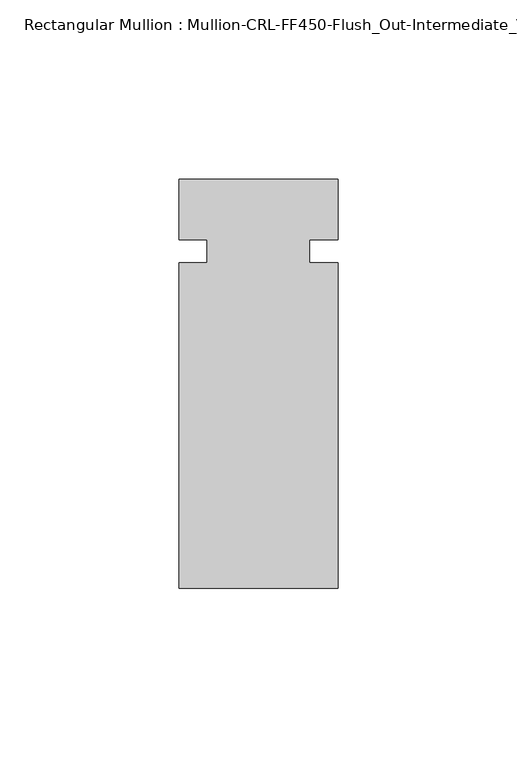
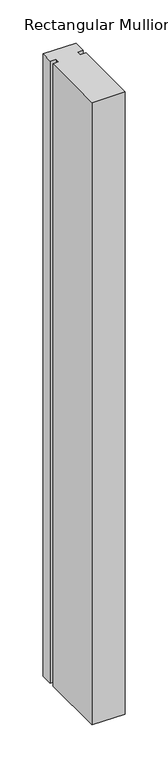
"""IFC4 building model written with IfcOpenShell, lengths in millimetres: member geometry, Rectangular Mullion : Mullion-CRL-FF450-Flush_Out-Intermediate_Vertical."""

from ifc_helpers import new_model, si_unit, frame, origin, place, context, project, spatial, polyline, outline, extrude, source, transform, mapped, element, save


def rectangular_mullion_mullion_crl_ff450_flush_out_intermediate_20d51256(model_context):
    return source(origin(), model_context, "Body", "SweptSolid", [
        extrude(outline(polyline([(-22.2250604, -3.1555912), (-14.2875604, -3.1555912), (-14.2875604, 3.1944088), (-22.2250604, 3.1944088), (-22.2250604, 20.160815), (22.2249797, 20.160815), (22.2249797, 3.1944088), (14.2874797, 3.1944088), (14.2874797, -3.1555912), (22.2249797, -3.1555912), (22.2249797, -94.139185), (-22.2250604, -94.139185), (-22.2250604, -3.1555912)])), frame((0.0, 0.0, -882.65), z_axis=(0.0, 0.0, 1.0), x_axis=(1.0, 0.0, 0.0)), (0.0, 0.0, 1.0), 882.65),
    ])


if __name__ == "__main__":
    model = new_model("IFC4")
    model_context = context("Model", 3, world=origin())
    ifc_project = project(units=[si_unit("LENGTHUNIT", "METRE", prefix="MILLI")], contexts=[model_context])
    site = spatial("IfcSite", under=ifc_project)
    building = spatial("IfcBuilding", under=site)
    placement = place(None, origin())
    rectangular_mullion_mullion_crl_ff450_flush_out_intermediate_shape = rectangular_mullion_mullion_crl_ff450_flush_out_intermediate_20d51256(model_context)
    element("IfcMember", 1, ObjectType="Rectangular Mullion : Mullion-CRL-FF450-Flush_Out-Intermediate_Vertical", at=placement, inside=building, context=model_context, shape_type="MappedRepresentation", body=[
        mapped(rectangular_mullion_mullion_crl_ff450_flush_out_intermediate_shape, transform((0.0, 0.0, 0.0), x_axis=(1.0, 0.0, 0.0), y_axis=(0.0, 1.0, 0.0), z_axis=(0.0, 0.0, 1.0))),
    ])
    save(model, "model.ifc")
